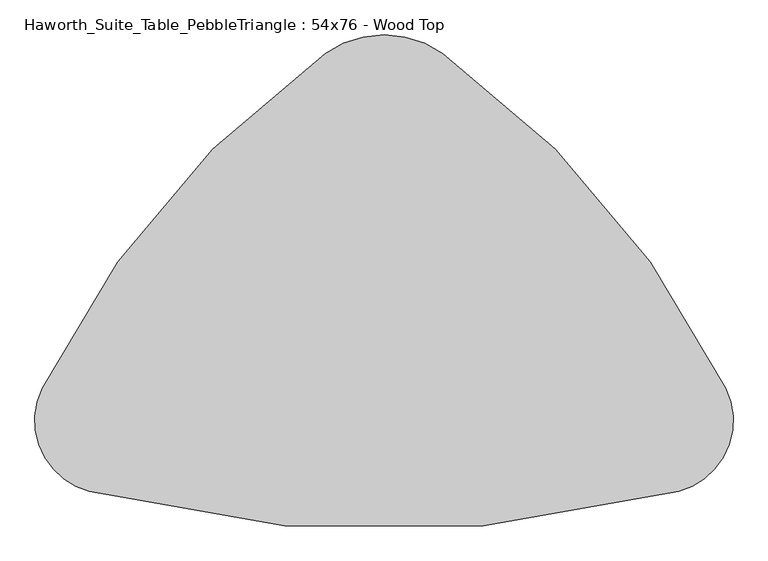
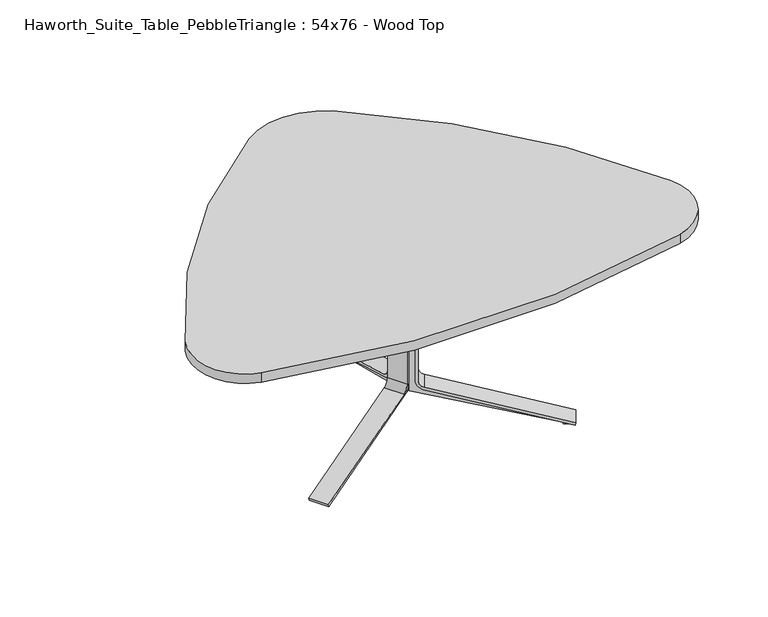
"""IFC4 building model written with IfcOpenShell, lengths in millimetres: furniture geometry, Haworth_Suite_Table_PebbleTriangle : 54x76 - Wood Top."""

from ifc_helpers import new_model, si_unit, point, frame, frame_2d, origin, place, context, project, spatial, polyline, circle_curve, trimmed, segment, composite_curve, outline, extrude, source, transform, mapped, element, save


def haworth_suite_table_pebbletriangle_54x76_wood_top_58a440dd(model_context):
    return source(origin(), model_context, "Body", "SweptSolid", [
        extrude(outline(composite_curve([segment(polyline([(-269.3436324, 0.0), (-295.5330754, 5.8726591), (-44.1875449, 20.7494046)]), True, "CONTINUOUS"), segment(trimmed(circle_curve(frame_2d((-46.438684, 58.7828422)), 38.1), [point((-44.1875449, 20.7494046))], [point((-9.2618925, 50.446406))], True, "CARTESIAN"), True, "CONTINUOUS"), segment(polyline([(-9.2618925, 50.446406), (82.3027309, 458.7838346)]), True, "CONTINUOUS"), segment(trimmed(circle_curve(frame_2d((45.1259393, 467.1202708)), 38.1), [point((82.3027309, 458.7838346))], [point((63.4019806, 500.5507407))], True, "CARTESIAN"), True, "CONTINUOUS"), segment(polyline([(63.4019806, 500.5507407), (-393.0670035, 750.0969211), (-391.6775969, 756.2930555), (-363.1013705, 749.8851897), (-364.1289314, 745.3027257), (112.9884974, 503.8783626), (0.0, 0.0), (-269.3436324, 0.0)]), True, "CONTINUOUS")], self_intersect=False)), frame((-15.5441472, -673.435421, 652.2665091), z_axis=(-0.49999999999999856, 0.8660254037844395, 0.0), x_axis=(0.8450405756685904, 0.4878844038384151, -0.21880409951582677)), (0.0, 0.0, 1.0), 47.625),
        extrude(outline(composite_curve([segment(polyline([(27.4680529, -36.4513375), (174.0095606, 474.5996329), (183.1655841, 471.9741854), (36.3672848, -39.0934672)]), True, "CONTINUOUS"), segment(trimmed(circle_curve(frame_2d((-0.2519977, -28.575)), 38.1), [point((36.3672848, -39.0934672))], [point((-0.2519977, -66.675))], False, "CARTESIAN"), True, "CONTINUOUS"), segment(polyline([(-0.2519977, -66.675), (-418.7296385, -66.675)]), True, "CONTINUOUS"), segment(trimmed(circle_curve(frame_2d((-418.7296385, -28.575)), 38.1), [point((-418.7296385, -66.675))], [point((-455.3489221, -39.0934634))], False, "CARTESIAN"), True, "CONTINUOUS"), segment(polyline([(-455.3489221, -39.0934634), (-523.3798781, 197.7514787)]), True, "CONTINUOUS"), segment(trimmed(circle_curve(frame_2d((-486.7605946, 208.2699421)), 38.1), [point((-523.3798781, 197.7514787))], [point((-524.8605946, 208.2699421))], False, "CARTESIAN"), True, "CONTINUOUS"), segment(polyline([(-524.8605946, 208.2699421), (-524.8605946, 303.1768115), (-515.3355946, 303.1768115), (-515.3355946, 210.0197483)]), True, "CONTINUOUS"), segment(trimmed(circle_curve(frame_2d((-477.2355946, 210.0197483)), 38.1), [point((-515.3355946, 210.0197483))], [point((-513.8596652, 199.5179651))], True, "CARTESIAN"), True, "CONTINUOUS"), segment(polyline([(-513.8596652, 199.5179651), (-446.1965565, -36.4513375)]), True, "CONTINUOUS"), segment(trimmed(circle_curve(frame_2d((-418.7285036, -28.575)), 28.575), [point((-446.1965565, -36.4513375))], [point((-418.7285036, -57.15))], True, "CARTESIAN"), True, "CONTINUOUS"), segment(polyline([(-418.7285036, -57.15), (0.0, -57.15)]), True, "CONTINUOUS"), segment(trimmed(circle_curve(frame_2d((0.0, -28.575)), 28.575), [point((0.0, -57.15))], [point((27.4680529, -36.4513375))], True, "CARTESIAN"), True, "CONTINUOUS")], self_intersect=False)), frame((-83.5284008, -729.1839321, 186.3393812), z_axis=(-0.4999999999999986, 0.8660254037844395, 0.0), x_axis=(0.0, 0.0, -1.0)), (0.0, 0.0, 1.0), 76.2),
        extrude(outline(composite_curve([segment(polyline([(-269.3436324, 0.0), (0.0, 0.0), (112.9884974, -503.8783626), (-364.1289314, -745.3027257), (-363.1013705, -749.8851897), (-391.6775969, -756.2930555), (-393.0670035, -750.0969211), (63.4019806, -500.5507407)]), True, "CONTINUOUS"), segment(trimmed(circle_curve(frame_2d((45.1259393, -467.1202708)), 38.1), [point((63.4019806, -500.5507407))], [point((82.3027309, -458.7838346))], True, "CARTESIAN"), True, "CONTINUOUS"), segment(polyline([(82.3027309, -458.7838346), (-9.2618925, -50.446406)]), True, "CONTINUOUS"), segment(trimmed(circle_curve(frame_2d((-46.438684, -58.7828422)), 38.1), [point((-9.2618925, -50.446406))], [point((-44.1875449, -20.7494046))], True, "CARTESIAN"), True, "CONTINUOUS"), segment(polyline([(-44.1875449, -20.7494046), (-295.5330754, -5.8726591), (-269.3436324, 0.0)]), True, "CONTINUOUS")], self_intersect=False)), frame((-9.8558528, -673.435421, 652.2665091), z_axis=(0.49999999999999856, 0.8660254037844395, 0.0), x_axis=(-0.8450405756685904, 0.4878844038384151, -0.21880409951582677)), (0.0, 0.0, 1.0), 47.625),
        extrude(outline(composite_curve([segment(trimmed(circle_curve(frame_2d((0.0, 28.575)), 28.575), [point((27.4680529, 36.4513375))], [point((0.0, 57.15))], True, "CARTESIAN"), True, "CONTINUOUS"), segment(polyline([(0.0, 57.15), (-418.7285036, 57.15)]), True, "CONTINUOUS"), segment(trimmed(circle_curve(frame_2d((-418.7285036, 28.575)), 28.575), [point((-418.7285036, 57.15))], [point((-446.1965565, 36.4513375))], True, "CARTESIAN"), True, "CONTINUOUS"), segment(polyline([(-446.1965565, 36.4513375), (-513.8596652, -199.5179651)]), True, "CONTINUOUS"), segment(trimmed(circle_curve(frame_2d((-477.2355946, -210.0197483)), 38.1), [point((-513.8596652, -199.5179651))], [point((-515.3355946, -210.0197483))], True, "CARTESIAN"), True, "CONTINUOUS"), segment(polyline([(-515.3355946, -210.0197483), (-515.3355946, -303.1768115), (-524.8605946, -303.1768115), (-524.8605946, -208.2699421)]), True, "CONTINUOUS"), segment(trimmed(circle_curve(frame_2d((-486.7605946, -208.2699421)), 38.1), [point((-524.8605946, -208.2699421))], [point((-523.3798781, -197.7514787))], False, "CARTESIAN"), True, "CONTINUOUS"), segment(polyline([(-523.3798781, -197.7514787), (-455.3489221, 39.0934634)]), True, "CONTINUOUS"), segment(trimmed(circle_curve(frame_2d((-418.7296385, 28.575)), 38.1), [point((-455.3489221, 39.0934634))], [point((-418.7296385, 66.675))], False, "CARTESIAN"), True, "CONTINUOUS"), segment(polyline([(-418.7296385, 66.675), (-0.2519977, 66.675)]), True, "CONTINUOUS"), segment(trimmed(circle_curve(frame_2d((-0.2519977, 28.575)), 38.1), [point((-0.2519977, 66.675))], [point((36.3672848, 39.0934672))], False, "CARTESIAN"), True, "CONTINUOUS"), segment(polyline([(36.3672848, 39.0934672), (183.1655841, -471.9741854), (174.0095606, -474.5996329), (27.4680529, 36.4513375)]), True, "CONTINUOUS")], self_intersect=False)), frame((58.1284008, -729.1839321, 186.3393812), z_axis=(0.4999999999999986, 0.8660254037844395, 0.0), x_axis=(0.0, 0.0, -1.0)), (0.0, 0.0, 1.0), 76.2),
        extrude(outline(composite_curve([segment(polyline([(-364.4476386, 711.2), (-337.6078352, 711.2), (-579.6078709, 641.6883033)]), True, "CONTINUOUS"), segment(trimmed(circle_curve(frame_2d((-569.0894074, 605.0690197)), 38.1), [point((-579.6078709, 641.6883033))], [point((-607.1894074, 605.0690197))], True, "CARTESIAN"), True, "CONTINUOUS"), segment(polyline([(-607.1894074, 605.0690197), (-607.1894074, 186.5913789)]), True, "CONTINUOUS"), segment(trimmed(circle_curve(frame_2d((-569.0894074, 186.5913789)), 38.1), [point((-607.1894074, 186.5913789))], [point((-579.6078747, 149.9720964))], True, "CARTESIAN"), True, "CONTINUOUS"), segment(polyline([(-579.6078747, 149.9720964), (-79.5979509, 6.3500025), (-79.5979509, 0.0), (-108.8838087, 0.0), (-108.8838087, 4.69626), (-627.2647536, 135.8753736), (-627.2647536, 652.2665091), (-364.4476386, 711.2)]), True, "CONTINUOUS")], self_intersect=False)), frame((-36.5125, 0.0, 0.0), z_axis=(1.0, 0.0, 0.0), x_axis=(0.0, 1.0, 0.0)), (0.0, 0.0, 1.0), 47.625),
        extrude(outline(composite_curve([segment(polyline([(-576.9657449, 158.8713283), (-65.9147745, 12.3298206), (-68.540222, 3.1737971), (-579.6078747, 149.9720964)]), True, "CONTINUOUS"), segment(trimmed(circle_curve(frame_2d((-569.0894074, 186.5913789)), 38.1), [point((-579.6078747, 149.9720964))], [point((-607.1894074, 186.5913789))], False, "CARTESIAN"), True, "CONTINUOUS"), segment(polyline([(-607.1894074, 186.5913789), (-607.1894074, 605.0690197)]), True, "CONTINUOUS"), segment(trimmed(circle_curve(frame_2d((-569.0894074, 605.0690197)), 38.1), [point((-607.1894074, 605.0690197))], [point((-579.6078709, 641.6883033))], False, "CARTESIAN"), True, "CONTINUOUS"), segment(polyline([(-579.6078709, 641.6883033), (-342.7629288, 709.7192593)]), True, "CONTINUOUS"), segment(trimmed(circle_curve(frame_2d((-332.2444653, 673.0999758)), 38.1), [point((-342.7629288, 709.7192593))], [point((-332.2444653, 711.1999758))], False, "CARTESIAN"), True, "CONTINUOUS"), segment(polyline([(-332.2444653, 711.1999758), (-237.3375959, 711.1999758), (-237.3375959, 701.6749758), (-330.4946591, 701.6749758)]), True, "CONTINUOUS"), segment(trimmed(circle_curve(frame_2d((-330.4946591, 663.5749758)), 38.1), [point((-330.4946591, 701.6749758))], [point((-340.9964424, 700.1990464))], True, "CARTESIAN"), True, "CONTINUOUS"), segment(polyline([(-340.9964424, 700.1990464), (-576.9657449, 632.5359377)]), True, "CONTINUOUS"), segment(trimmed(circle_curve(frame_2d((-569.0894074, 605.0678848)), 28.575), [point((-576.9657449, 632.5359377))], [point((-597.6644074, 605.0678848))], True, "CARTESIAN"), True, "CONTINUOUS"), segment(polyline([(-597.6644074, 605.0678848), (-597.6644074, 186.3393812)]), True, "CONTINUOUS"), segment(trimmed(circle_curve(frame_2d((-569.0894074, 186.3393812)), 28.575), [point((-597.6644074, 186.3393812))], [point((-576.9657449, 158.8713283))], True, "CARTESIAN"), True, "CONTINUOUS")], self_intersect=False)), frame((-50.8, 0.0, 0.0), z_axis=(1.0, 0.0, 0.0), x_axis=(0.0, 1.0, 0.0)), (0.0, 0.0, 1.0), 76.2),
        extrude(outline(composite_curve([segment(trimmed(circle_curve(frame_2d((-12.6979283, -107.3847333)), 279.4), [point((-175.7418745, 119.5095848))], [point((150.346018, 119.5095848))], False, "CARTESIAN"), True, "CONTINUOUS"), segment(trimmed(circle_curve(frame_2d((-1302.2273212, -1901.9125221)), 2489.2), [point((150.346018, 119.5095848))], [point((933.3374519, -807.2131181))], False, "CARTESIAN"), True, "CONTINUOUS"), segment(trimmed(circle_curve(frame_2d((750.8423684, -896.5763348)), 203.2), [point((933.3374519, -807.2131181))], [point((803.0623317, -1092.9517799))], False, "CARTESIAN"), True, "CONTINUOUS"), segment(trimmed(circle_curve(frame_2d((-12.8745951, 1975.4145495)), 3175.0), [point((803.0623317, -1092.9517799))], [point((-828.4775099, -1093.0405805))], False, "CARTESIAN"), True, "CONTINUOUS"), segment(trimmed(circle_curve(frame_2d((-776.2789234, -896.6594522)), 203.2), [point((-828.4775099, -1093.0405805))], [point((-958.7776245, -807.3036238))], False, "CARTESIAN"), True, "CONTINUOUS"), segment(trimmed(circle_curve(frame_2d((1276.8314647, -1901.9125221)), 2489.2), [point((-958.7776245, -807.3036238))], [point((-175.7418745, 119.5095848))], False, "CARTESIAN"), True, "CONTINUOUS")], self_intersect=False)), frame((0.0, 0.0, 711.2), z_axis=(0.0, 0.0, 1.0), x_axis=(1.0, 0.0, 0.0)), (0.0, 0.0, 1.0), 38.1),
    ])


if __name__ == "__main__":
    model = new_model("IFC4")
    model_context = context("Model", 3, world=origin())
    ifc_project = project(units=[si_unit("LENGTHUNIT", "METRE", prefix="MILLI")], contexts=[model_context])
    site = spatial("IfcSite", under=ifc_project)
    building = spatial("IfcBuilding", under=site)
    placement = place(None, origin())
    haworth_suite_table_pebbletriangle_54x76_wood_top_shape = haworth_suite_table_pebbletriangle_54x76_wood_top_58a440dd(model_context)
    element("IfcFurniture", 1, ObjectType="Haworth_Suite_Table_PebbleTriangle : 54x76 - Wood Top", at=placement, inside=building, context=model_context, shape_type="MappedRepresentation", body=[
        mapped(haworth_suite_table_pebbletriangle_54x76_wood_top_shape, transform((0.0, 0.0, 0.0), x_axis=(1.0, 0.0, 0.0), y_axis=(0.0, 1.0, 0.0), z_axis=(0.0, 0.0, 1.0))),
    ])
    save(model, "model.ifc")
